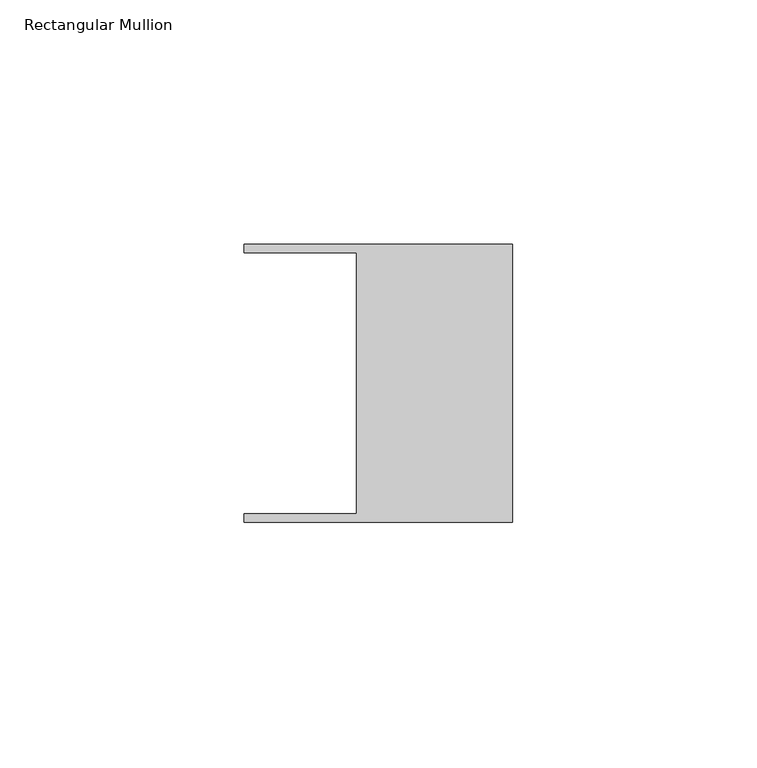
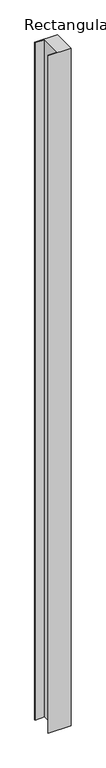
"""IFC4 building model written with IfcOpenShell, lengths in millimetres: member geometry, Rectangular Mullion."""

from ifc_helpers import new_model, si_unit, frame, origin, place, context, project, spatial, polyline, outline, extrude, source, transform, mapped, element, save


def rectangular_mullion_79be4564(model_context):
    return source(origin(), model_context, "Body", "SweptSolid", [
        extrude(outline(polyline([(-32.004, 26.67), (-54.991, 26.67), (-54.991, 28.448), (0.0, 28.448), (0.0, -28.448), (-54.991, -28.448), (-54.991, -26.67), (-32.004, -26.67), (-32.004, 26.67)])), frame((0.0, 0.0, -1737.7575743), z_axis=(0.0, 0.0, 1.0), x_axis=(1.0, 0.0, 0.0)), (0.0, 0.0, 1.0), 1737.7575743),
    ])


if __name__ == "__main__":
    model = new_model("IFC4")
    model_context = context("Model", 3, world=origin())
    ifc_project = project(units=[si_unit("LENGTHUNIT", "METRE", prefix="MILLI")], contexts=[model_context])
    site = spatial("IfcSite", under=ifc_project)
    building = spatial("IfcBuilding", under=site)
    placement = place(None, origin())
    rectangular_mullion_shape = rectangular_mullion_79be4564(model_context)
    element("IfcMember", 1, ObjectType="Rectangular Mullion", at=placement, inside=building, context=model_context, shape_type="MappedRepresentation", body=[
        mapped(rectangular_mullion_shape, transform((0.0, 0.0, 0.0), x_axis=(1.0, 0.0, 0.0), y_axis=(0.0, 1.0, 0.0), z_axis=(0.0, 0.0, 1.0))),
    ])
    save(model, "model.ifc")
